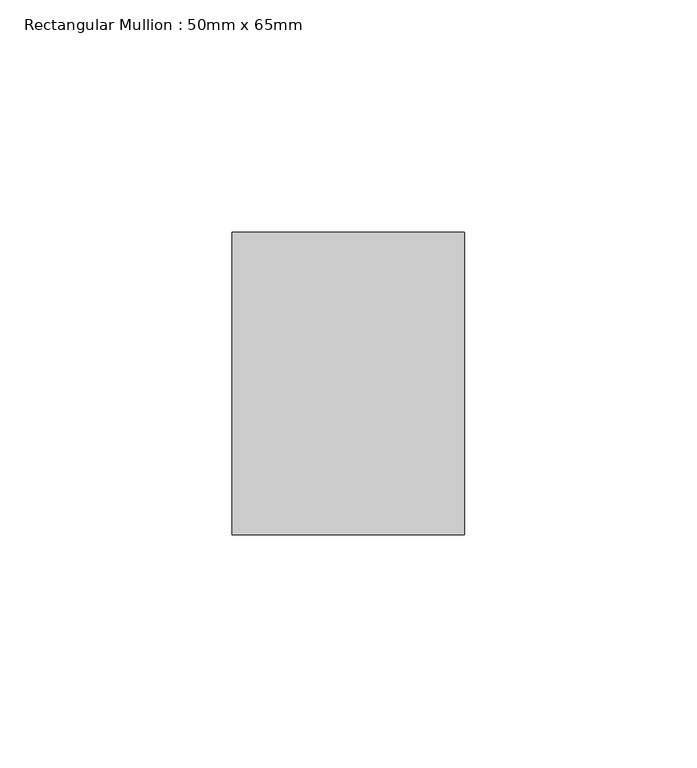
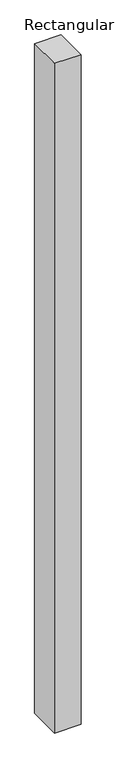
"""IFC4 building model written with IfcOpenShell, lengths in millimetres: member geometry, Rectangular Mullion : 50mm x 65mm."""

from ifc_helpers import new_model, si_unit, frame, origin, place, context, project, spatial, polyline, outline, extrude, source, transform, mapped, element, save


def rectangular_mullion_50mm_x_65mm_5a41dd5a(model_context):
    return source(origin(), model_context, "Body", "SweptSolid", [
        extrude(outline(polyline([(25.0, 32.5), (25.0, -32.5), (-25.0, -32.5), (-25.0, 32.5), (25.0, 32.5)])), frame((0.0, 0.0, -1337.4790785), z_axis=(0.0, 0.0, 1.0), x_axis=(1.0, 0.0, 0.0)), (0.0, 0.0, 1.0), 1337.4790785),
    ])


if __name__ == "__main__":
    model = new_model("IFC4")
    model_context = context("Model", 3, world=origin())
    ifc_project = project(units=[si_unit("LENGTHUNIT", "METRE", prefix="MILLI")], contexts=[model_context])
    site = spatial("IfcSite", under=ifc_project)
    building = spatial("IfcBuilding", under=site)
    placement = place(None, origin())
    rectangular_mullion_50mm_x_65mm_shape = rectangular_mullion_50mm_x_65mm_5a41dd5a(model_context)
    element("IfcMember", 1, ObjectType="Rectangular Mullion : 50mm x 65mm", at=placement, inside=building, context=model_context, shape_type="MappedRepresentation", body=[
        mapped(rectangular_mullion_50mm_x_65mm_shape, transform((0.0, 0.0, 0.0), x_axis=(1.0, 0.0, 0.0), y_axis=(0.0, 1.0, 0.0), z_axis=(0.0, 0.0, 1.0))),
    ])
    save(model, "model.ifc")
